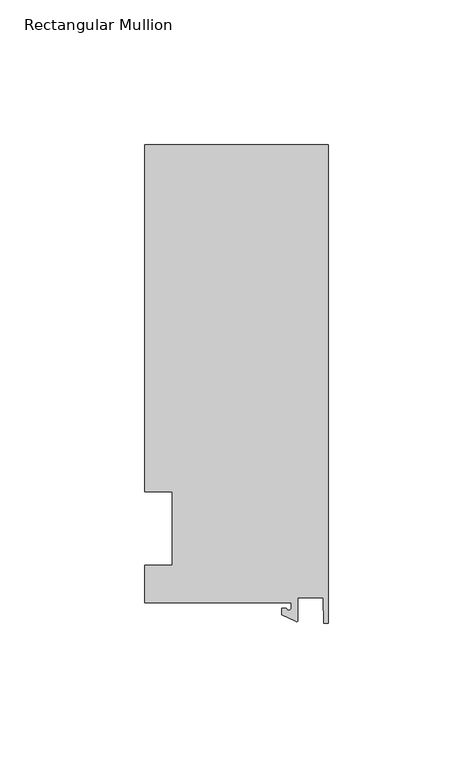
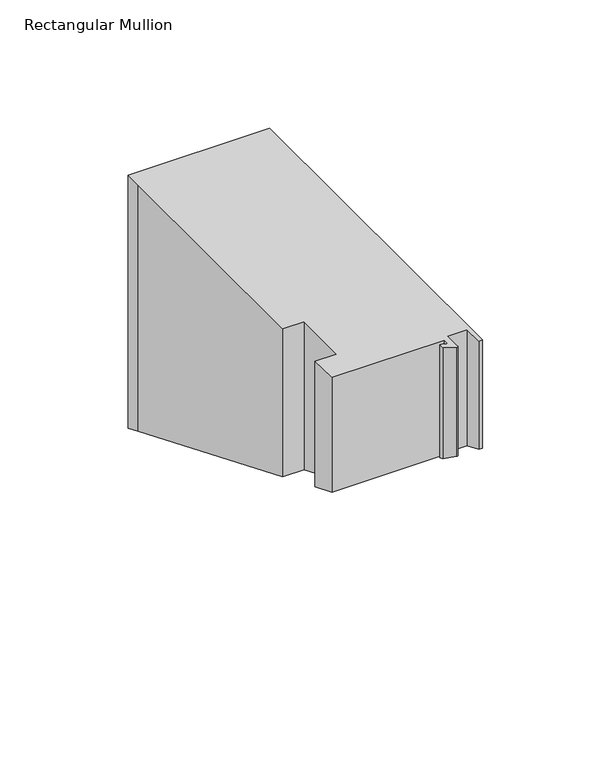
"""IFC4 building model written with IfcOpenShell, lengths in millimetres: member geometry, Rectangular Mullion."""

from ifc_helpers import new_model, si_unit, frame, origin, place, context, project, spatial, polyline, circle_curve, ellipse_curve, source, transform, mapped, element, save
from ifc_brep_helpers import plane_surface, cylinder_surface, revolved_surface, advanced_brep


def rectangular_mullion_02b40979(model_context):
    return source(origin(), model_context, "Body", "AdvancedBrep", [
        advanced_brep(
        [(-12.8216721, -25.5984375, 0.0), (-12.8216721, -27.5208534, 0.0), (-14.4091721, -27.5208534, 0.0), (-15.9966721, -27.5208534, 0.0), (-15.9966721, -29.8830527, 0.0), (-11.1567622, -32.1399398, 0.0), (-10.4340721, -31.6795354, 0.0), (-10.4340721, -23.9227662, 0.0), (-1.7144124, -23.9227662, 0.0), (-1.5566453, -32.810012, 0.0), (0.0, -32.810012, 0.0), (0.0, 132.822512, 0.0), (-63.5, 132.822512, 0.0), (-63.5, 125.075512, 0.0), (-63.5, 12.7, 0.0), (-53.975, 12.7, 0.0), (-53.975, -12.7, 0.0), (-63.5, -12.7, 0.0), (-63.5, -25.5984375, 0.0), (-12.8216721, -25.5984375, -54.48428), (-12.8216721, -27.5208534, -53.6879893), (-14.4091721, -27.5208534, -53.6879893), (-15.9966721, -27.5208534, -53.6879893), (-15.9966721, -29.8830527, -52.7095343), (-11.1567622, -32.1399398, -51.774701), (-10.4340721, -31.6795354, -51.9654068), (-10.4340721, -23.9227662, -55.1783658), (-1.7144124, -23.9227662, -55.1783658), (-1.5566453, -32.810012, -51.4971481), (0.0, -32.810012, -51.4971481), (0.0, 132.822512, -120.1043859), (-63.5, 132.822512, -120.1043859), (-63.5, 125.075512, -116.8954734), (-63.5, 12.7, -70.3480122), (-53.975, 12.7, -70.3480122), (-53.975, -12.7, -59.8269878), (-63.5, -12.7, -59.8269878), (-63.5, -25.5984375, -54.48428)],
        [
            (0, 1),
            (1, 2, circle_curve(frame((-13.6154221, -27.5208534, 0.0), z_axis=(0.0, 0.0, -1.0), x_axis=(-1.0, 0.0, 0.0)), 0.79375)),
            (2, 3),
            (3, 4),
            (4, 5),
            (5, 6, circle_curve(frame((-10.9420721, -31.6795354, 0.0), z_axis=(0.0, 0.0, 1.0), x_axis=(-1.0, 0.0, 0.0)), 0.508)),
            (6, 7),
            (7, 8),
            (8, 9),
            (9, 10),
            (10, 11),
            (11, 12),
            (12, 13),
            (13, 14),
            (14, 15),
            (15, 16),
            (16, 17),
            (17, 18),
            (18, 0),
            (0, 19),
            (19, 20),
            (20, 1),
            (20, 21, ellipse_curve(frame((-13.6154221, -27.5208534, -53.6879893), z_axis=(0.0, -0.3826834323650925, -0.9238795325112856), x_axis=(0.0, 0.9238795325112857, -0.38268343236509245)), 0.8591488, 0.79375)),
            (21, 2),
            (21, 22),
            (22, 3),
            (22, 23),
            (23, 4),
            (23, 24),
            (24, 5),
            (24, 25, ellipse_curve(frame((-10.9420721, -31.6795354, -51.9654068), z_axis=(0.0, 0.3826834323650925, 0.9238795325112856), x_axis=(0.0, -0.9238795325112857, 0.38268343236509245)), 0.5498552, 0.508)),
            (25, 6),
            (25, 26),
            (26, 7),
            (26, 27),
            (27, 8),
            (27, 28),
            (28, 9),
            (28, 29),
            (29, 10),
            (29, 30),
            (30, 11),
            (30, 31),
            (31, 12),
            (13, 32),
            (32, 33),
            (33, 14),
            (33, 34),
            (34, 15),
            (34, 35),
            (35, 16),
            (35, 36),
            (36, 17),
            (36, 37),
            (37, 18),
            (37, 19),
            (32, 31),
        ],
        [
            plane_surface(frame((0.0, -147.2211591, 0.0), z_axis=(0.0, 0.0, 1.0), x_axis=(-1.0, 0.0, 0.0))),
            plane_surface(frame((-12.8216721, -25.5984375, 0.0), z_axis=(-1.0, 0.0, 0.0), x_axis=(0.0, 0.0, -1.0))),
            revolved_surface(polyline([(-14.4091721, -27.5208534, -54.016771311696345), (-14.4091721, -27.5208534, 0.0)]), (-13.6154221, -27.5208534, 0.0), (0.0, 0.0, -1.0)),
            plane_surface(frame((-14.4091721, -27.5208534, 0.0), z_axis=(0.0, 1.0, 0.0), x_axis=(0.0, 0.0, -1.0))),
            plane_surface(frame((-15.9966721, -27.5208534, 0.0), z_axis=(-1.0, 0.0, 0.0), x_axis=(0.0, 0.0, -1.0))),
            plane_surface(frame((-15.9966721, -29.8830527, 0.0), z_axis=(-0.4226182617406985, -0.9063077870366505, 0.0), x_axis=(0.0, 0.0, -1.0))),
            cylinder_surface(frame((-10.9420721, -31.6795354, 0.0), z_axis=(0.0, 0.0, 1.0), x_axis=(-1.0, 0.0, 0.0)), 0.508),
            plane_surface(frame((-10.4340721, -31.6795354, 0.0), z_axis=(1.0, 0.0, 0.0), x_axis=(0.0, 0.0, -1.0))),
            plane_surface(frame((-10.4340721, -23.9227662, 0.0), z_axis=(0.0, -1.0, 0.0), x_axis=(0.0, 0.0, -1.0))),
            plane_surface(frame((-1.7144124, -23.9227662, 0.0), z_axis=(-0.9998424690407919, -0.017749284560600327, 0.0), x_axis=(0.0, 0.0, -1.0))),
            plane_surface(frame((-1.5566453, -32.810012, 0.0), z_axis=(0.0, -1.0, 0.0), x_axis=(0.0, 0.0, -1.0))),
            plane_surface(frame((0.0, -32.810012, 0.0), z_axis=(1.0, 0.0, 0.0), x_axis=(0.0, 0.0, -1.0))),
            plane_surface(frame((0.0, 132.822512, 0.0), z_axis=(0.0, 1.0, 0.0), x_axis=(0.0, 0.0, -1.0))),
            plane_surface(frame((-63.5, 125.075512, 0.0), z_axis=(-1.0, 0.0, 0.0), x_axis=(0.0, 0.0, -1.0))),
            plane_surface(frame((-63.5, 12.7, 0.0), z_axis=(0.0, -1.0, 0.0), x_axis=(0.0, 0.0, -1.0))),
            plane_surface(frame((-53.975, 12.7, 0.0), z_axis=(-1.0, 0.0, 0.0), x_axis=(0.0, 0.0, -1.0))),
            plane_surface(frame((-53.975, -12.7, 0.0), z_axis=(0.0, 1.0, 0.0), x_axis=(0.0, 0.0, -1.0))),
            plane_surface(frame((-63.5, -12.7, 0.0), z_axis=(-1.0, 0.0, 0.0), x_axis=(0.0, 0.0, -1.0))),
            plane_surface(frame((-63.5, -25.5984375, 0.0), z_axis=(0.0, -1.0, 0.0), x_axis=(0.0, 0.0, -1.0))),
            plane_surface(frame((304.8, 0.0, -65.0875), z_axis=(0.0, -0.3826834323650925, -0.9238795325112856), x_axis=(0.0, -0.9238795325112856, 0.3826834323650925))),
            plane_surface(frame((-63.5, 132.822512, 0.0), z_axis=(-1.0, 0.0, 0.0), x_axis=(0.0, 0.0, -1.0))),
        ],
        [
            (0, [[1, 2, 3, 4, 5, 6, 7, 8, 9, 10, 11, 12, 13, 14, 15, 16, 17, 18, 19]]),
            (1, [[-1, 20, 21, 22]]),
            (2, [[-2, -22, 23, 24]]),
            (3, [[-3, -24, 25, 26]]),
            (4, [[-4, -26, 27, 28]]),
            (5, [[-5, -28, 29, 30]]),
            (6, [[-6, -30, 31, 32]]),
            (7, [[-7, -32, 33, 34]]),
            (8, [[-8, -34, 35, 36]]),
            (9, [[-9, -36, 37, 38]]),
            (10, [[-10, -38, 39, 40]]),
            (11, [[-11, -40, 41, 42]]),
            (12, [[-12, -42, 43, 44]]),
            (13, [[-14, 45, 46, 47]]),
            (14, [[-15, -47, 48, 49]]),
            (15, [[-16, -49, 50, 51]]),
            (16, [[-17, -51, 52, 53]]),
            (17, [[-18, -53, 54, 55]]),
            (18, [[-19, -55, 56, -20]]),
            (19, [[-56, -54, -52, -50, -48, -46, 57, -43, -41, -39, -37, -35, -33, -31, -29, -27, -25, -23, -21]]),
            (20, [[-13, -44, -57, -45]]),
        ],
    ),
    ])


if __name__ == "__main__":
    model = new_model("IFC4")
    model_context = context("Model", 3, world=origin())
    ifc_project = project(units=[si_unit("LENGTHUNIT", "METRE", prefix="MILLI")], contexts=[model_context])
    site = spatial("IfcSite", under=ifc_project)
    building = spatial("IfcBuilding", under=site)
    placement = place(None, origin())
    rectangular_mullion_shape = rectangular_mullion_02b40979(model_context)
    element("IfcMember", 1, ObjectType="Rectangular Mullion", at=placement, inside=building, context=model_context, shape_type="MappedRepresentation", body=[
        mapped(rectangular_mullion_shape, transform((0.0, 0.0, 0.0), x_axis=(1.0, 0.0, 0.0), y_axis=(0.0, 1.0, 0.0), z_axis=(0.0, 0.0, 1.0))),
    ])
    save(model, "model.ifc")
